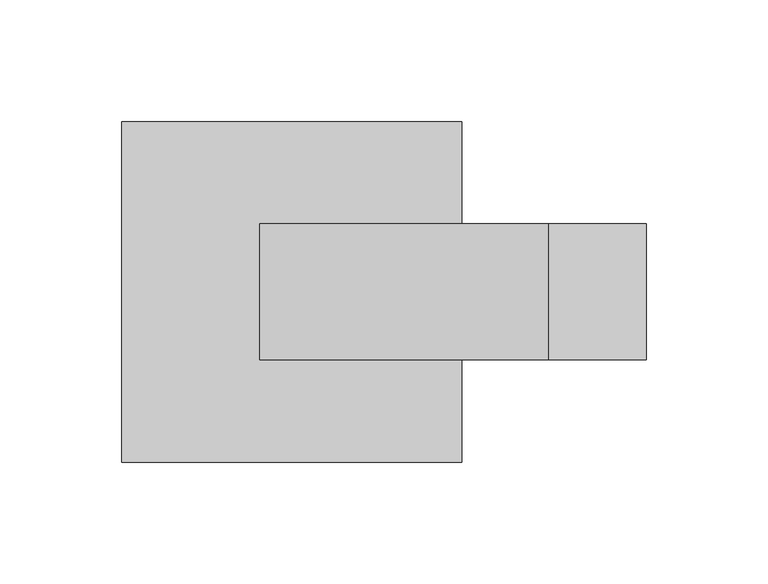
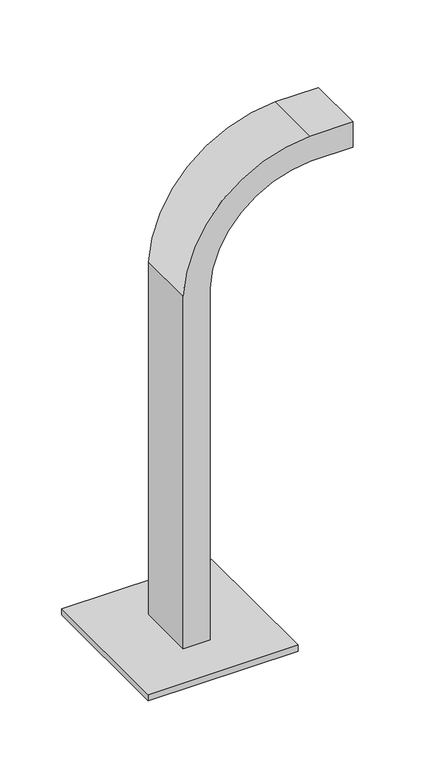
"""IFC4 building model written with IfcOpenShell, lengths in millimetres: furniture geometry."""

from ifc_helpers import new_model, si_unit, point, frame, frame_2d, origin, origin_with_axes, place, context, project, spatial, polyline, circle_curve, trimmed, segment, composite_curve, outline, extrude, source, transform, mapped, element, save


def furniture_28460bd6(model_context):
    return source(origin(), model_context, "Body", "SweptSolid", [
        extrude(outline(composite_curve([segment(trimmed(circle_curve(frame_2d((353.0696692, -710.1651072)), 98.0547414), [point((358.7575366, -808.0547414))], [point((451.0547414, -713.8607731))], True, "CARTESIAN"), True, "CONTINUOUS"), segment(polyline([(451.0547414, -713.8607731), (451.0547414, -674.0794885), (476.0547414, -674.0794885), (476.0547414, -714.3053257)]), True, "CONTINUOUS"), segment(trimmed(circle_curve(frame_2d((353.0696692, -710.1651072)), 123.0547414), [point((476.0547414, -714.3053257))], [point((359.4420469, -833.0547414))], False, "CARTESIAN"), True, "CONTINUOUS"), segment(polyline([(359.4420469, -833.0547414), (11.0, -833.0547414), (11.0, -808.0547414), (358.7575366, -808.0547414)]), True, "CONTINUOUS")], self_intersect=False)), frame((0.0, -27.920928, 0.0), z_axis=(0.0, 1.0, 0.0), x_axis=(0.0, 0.0, 1.0)), (0.0, 0.0, 1.0), 55.8418559),
        extrude(outline(composite_curve([segment(trimmed(circle_curve(frame_2d((-878.0500045, 58.0314537)), 5.0), [point((-883.0500045, 58.0314537))], [point((-873.0500045, 58.0314537))], False, "CARTESIAN"), True, "CONTINUOUS"), segment(trimmed(circle_curve(frame_2d((-878.0500045, 58.0314537)), 5.0), [point((-873.0500045, 58.0314537))], [point((-883.0500045, 58.0314537))], False, "CARTESIAN"), True, "CONTINUOUS")], self_intersect=False)), origin_with_axes(), (0.0, 0.0, 1.0), 5.0),
        extrude(outline(composite_curve([segment(trimmed(circle_curve(frame_2d((-761.9499955, 58.0314537)), 5.0), [point((-766.9499955, 58.0314537))], [point((-756.9499955, 58.0314537))], False, "CARTESIAN"), True, "CONTINUOUS"), segment(trimmed(circle_curve(frame_2d((-761.9499955, 58.0314537)), 5.0), [point((-756.9499955, 58.0314537))], [point((-766.9499955, 58.0314537))], False, "CARTESIAN"), True, "CONTINUOUS")], self_intersect=False)), origin_with_axes(), (0.0, 0.0, 1.0), 5.0),
        extrude(outline(composite_curve([segment(trimmed(circle_curve(frame_2d((-878.0500045, -58.0314537)), 5.0), [point((-883.0500045, -58.0314537))], [point((-873.0500045, -58.0314537))], False, "CARTESIAN"), True, "CONTINUOUS"), segment(trimmed(circle_curve(frame_2d((-878.0500045, -58.0314537)), 5.0), [point((-873.0500045, -58.0314537))], [point((-883.0500045, -58.0314537))], False, "CARTESIAN"), True, "CONTINUOUS")], self_intersect=False)), origin_with_axes(), (0.0, 0.0, 1.0), 5.0),
        extrude(outline(composite_curve([segment(trimmed(circle_curve(frame_2d((-761.9499955, -58.0314537)), 5.0), [point((-766.9499955, -58.0314537))], [point((-756.9499955, -58.0314537))], False, "CARTESIAN"), True, "CONTINUOUS"), segment(trimmed(circle_curve(frame_2d((-761.9499955, -58.0314537)), 5.0), [point((-756.9499955, -58.0314537))], [point((-766.9499955, -58.0314537))], False, "CARTESIAN"), True, "CONTINUOUS")], self_intersect=False)), origin_with_axes(), (0.0, 0.0, 1.0), 5.0),
        extrude(outline(polyline([(-750.0, 70.0), (-750.0, -70.0), (-890.0, -70.0), (-890.0, 70.0), (-750.0, 70.0)])), frame((0.0, 0.0, 5.0), z_axis=(0.0, 0.0, 1.0), x_axis=(1.0, 0.0, 0.0)), (0.0, 0.0, 1.0), 6.0),
    ])


if __name__ == "__main__":
    model = new_model("IFC4")
    model_context = context("Model", 3, world=origin())
    ifc_project = project(units=[si_unit("LENGTHUNIT", "METRE", prefix="MILLI")], contexts=[model_context])
    site = spatial("IfcSite", under=ifc_project)
    building = spatial("IfcBuilding", under=site)
    placement = place(None, origin())
    furniture_shape = furniture_28460bd6(model_context)
    element("IfcFurniture", 1, at=placement, inside=building, context=model_context, shape_type="MappedRepresentation", body=[
        mapped(furniture_shape, transform((0.0, 0.0, 0.0), x_axis=(1.0, 0.0, 0.0), y_axis=(0.0, 1.0, 0.0), z_axis=(0.0, 0.0, 1.0))),
    ])
    save(model, "model.ifc")
